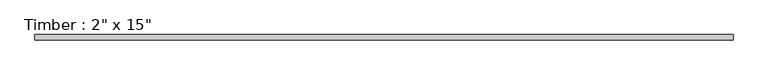
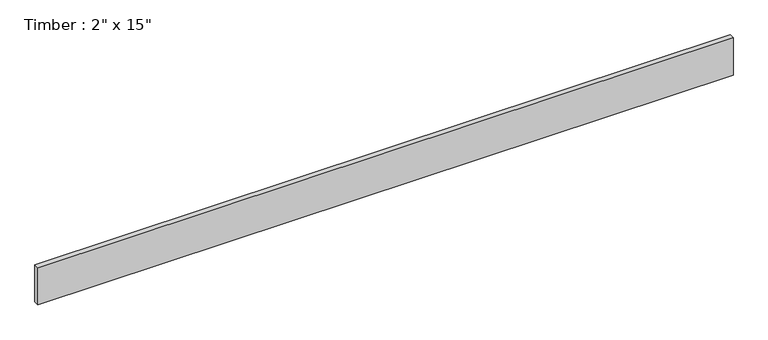
"""IFC4 building model written with IfcOpenShell, lengths in millimetres: beam geometry."""

from ifc_helpers import new_model, si_unit, frame, origin, place, context, project, spatial, polyline, outline, extrude, source, transform, mapped, element, save


def beam_eb8bbbf8(model_context):
    return source(origin(), model_context, "Body", "SweptSolid", [
        extrude(outline(polyline([(3359.15, 25.4), (3359.15, -25.4), (-3359.15, -25.4), (-3359.15, 25.4), (3359.15, 25.4)])), frame((0.0, 0.0, -190.5), z_axis=(0.0, 0.0, 1.0), x_axis=(1.0, 0.0, 0.0)), (0.0, 0.0, 1.0), 381.0),
    ])


if __name__ == "__main__":
    model = new_model("IFC4")
    model_context = context("Model", 3, world=origin())
    ifc_project = project(units=[si_unit("LENGTHUNIT", "METRE", prefix="MILLI")], contexts=[model_context])
    site = spatial("IfcSite", under=ifc_project)
    building = spatial("IfcBuilding", under=site)
    placement = place(None, origin())
    beam_shape = beam_eb8bbbf8(model_context)
    element("IfcBeam", 1, ObjectType="Timber : 2\" x 15\"", at=placement, inside=building, context=model_context, shape_type="MappedRepresentation", body=[
        mapped(beam_shape, transform((0.0, 0.0, 0.0), x_axis=(1.0, 0.0, 0.0), y_axis=(0.0, 1.0, 0.0), z_axis=(0.0, 0.0, 1.0))),
    ])
    save(model, "model.ifc")
